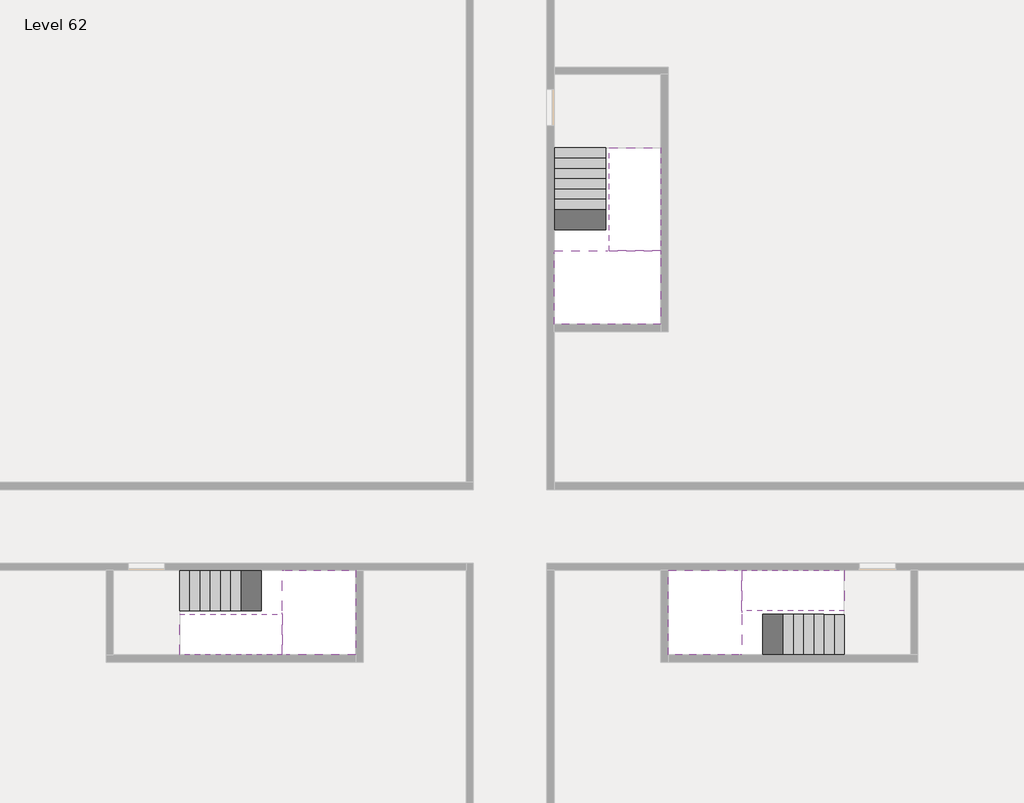
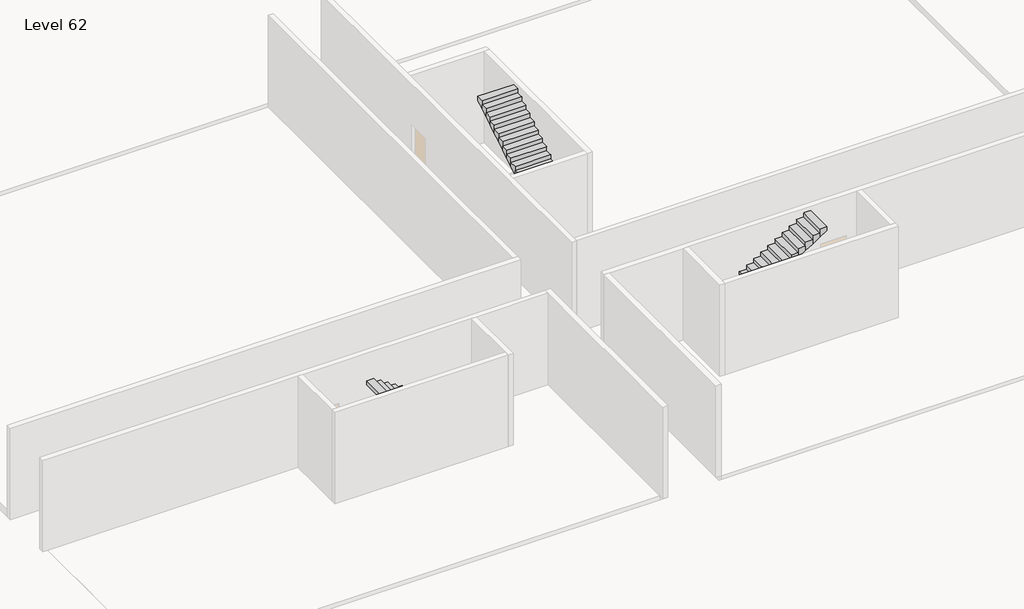
# One storey, part 2 of 2: 6 stair flights, 3 slabs.
"""IFC4 building model written with IfcOpenShell, lengths in millimetres."""

from ifc_helpers import new_model, si_unit, origin, place, context, project, spatial, faceted_brep, element, save

model = new_model("IFC4")

# Units and contexts
model_context = context("Model", 3, world=origin())
ifc_project = project(units=[si_unit("LENGTHUNIT", "METRE", prefix="MILLI")], contexts=[model_context])

# Site, building, storey
site = spatial("IfcSite", under=ifc_project)
building = spatial("IfcBuilding", under=site)
storey = spatial("IfcBuildingStorey", under=building, Name="Level 62", Elevation=231800.0)

# Slabs
placement = place(None, origin())
element("IfcSlab", 1, at=placement, inside=storey, context=model_context, shape_type="Brep", body=[
    faceted_brep([(26790.1058784, -34218.09644, 233700.0), (25390.1058784, -34218.09644, 233700.0), (25390.1058784, -34297.4828763, 233700.0), (25390.1058784, -36218.09644, 233700.0), (28290.1058784, -36218.09644, 233700.0), (28290.1058784, -34418.7100038, 233700.0), (28290.1058784, -34218.09644, 233700.0), (26890.1058784, -34218.09644, 233700.0), (26790.1058784, -34218.09644, 233400.0), (26790.1058784, -34218.09644, 233351.0278478), (25390.1058784, -34218.09644, 233351.0278478), (25390.1058784, -34218.09644, 233527.2727273), (25390.1058784, -34297.4828763, 233400.0), (25390.1058784, -36218.09644, 233400.0), (28290.1058784, -36218.09644, 233400.0), (28290.1058784, -34418.7100038, 233400.0), (28290.1058784, -34218.09644, 233523.7551205), (26890.1058784, -34218.09644, 233523.7551205), (26890.1058784, -34218.09644, 233400.0), (26890.1058784, -34418.7100038, 233400.0), (26790.1058784, -34297.4828763, 233400.0)], [[[0, 1, 2, 3, 4, 5, 6, 7]], [[1, 0, 8, 9, 10, 11]], [[1, 11, 10, 12, 13, 3, 2]], [[4, 3, 13, 14]], [[4, 14, 15, 16, 6, 5]], [[7, 6, 16, 17]], [[0, 7, 17, 18, 8]], [[18, 19, 15, 14, 13, 12, 20, 8]], [[19, 18, 17]], [[20, 12, 10, 9]], [[8, 20, 9]], [[15, 19, 17, 16]]]),
])
element("IfcSlab", 2, at=placement, inside=storey, context=model_context, shape_type="Brep", body=[
    faceted_brep([(30490.1058784, -45218.09644, 233700.0), (30490.1058784, -44118.09644, 233700.0), (30490.1058784, -44018.09644, 233700.0), (30490.1058784, -42918.09644, 233700.0), (30289.4923146, -42918.09644, 233700.0), (28490.1058784, -42918.09644, 233700.0), (28490.1058784, -45218.09644, 233700.0), (30410.7194421, -45218.09644, 233700.0), (30490.1058784, -45218.09644, 233527.2727273), (30490.1058784, -45218.09644, 233351.0278478), (30490.1058784, -44118.09644, 233351.0278478), (30490.1058784, -44118.09644, 233400.0), (30490.1058784, -44018.09644, 233400.0), (30490.1058784, -44018.09644, 233523.7551205), (30490.1058784, -42918.09644, 233523.7551205), (30289.4923146, -42918.09644, 233400.0), (28490.1058784, -42918.09644, 233400.0), (28490.1058784, -45218.09644, 233400.0), (30410.7194421, -45218.09644, 233400.0), (30289.4923146, -44018.09644, 233400.0), (30410.7194421, -44118.09644, 233400.0)], [[[0, 1, 2, 3, 4, 5, 6, 7]], [[1, 0, 8, 9, 10, 11]], [[2, 1, 11, 12, 13]], [[3, 2, 13, 14]], [[3, 14, 15, 16, 5, 4]], [[6, 5, 16, 17]], [[9, 8, 0, 7, 6, 17, 18]], [[19, 12, 11, 20, 18, 17, 16, 15]], [[12, 19, 13]], [[18, 20, 10, 9]], [[20, 11, 10]], [[19, 15, 14, 13]]]),
])
element("IfcSlab", 3, at=placement, inside=storey, context=model_context, shape_type="Brep", body=[
    faceted_brep([(17990.1058784, -42918.09644, 233700.0), (17990.1058784, -44018.09644, 233700.0), (17990.1058784, -44118.09644, 233700.0), (17990.1058784, -45218.09644, 233700.0), (18190.7194421, -45218.09644, 233700.0), (19990.1058784, -45218.09644, 233700.0), (19990.1058784, -42918.09644, 233700.0), (18069.4923146, -42918.09644, 233700.0), (17990.1058784, -42918.09644, 233527.2727273), (17990.1058784, -42918.09644, 233351.0278478), (17990.1058784, -44018.09644, 233351.0278478), (17990.1058784, -44018.09644, 233400.0), (17990.1058784, -44118.09644, 233400.0), (17990.1058784, -44118.09644, 233523.7551205), (17990.1058784, -45218.09644, 233523.7551205), (18190.7194421, -45218.09644, 233400.0), (19990.1058784, -45218.09644, 233400.0), (19990.1058784, -42918.09644, 233400.0), (18069.4923146, -42918.09644, 233400.0), (18190.7194421, -44118.09644, 233400.0), (18069.4923146, -44018.09644, 233400.0)], [[[0, 1, 2, 3, 4, 5, 6, 7]], [[1, 0, 8, 9, 10, 11]], [[2, 1, 11, 12, 13]], [[3, 2, 13, 14]], [[3, 14, 15, 16, 5, 4]], [[6, 5, 16, 17]], [[9, 8, 0, 7, 6, 17, 18]], [[19, 12, 11, 20, 18, 17, 16, 15]], [[12, 19, 13]], [[18, 20, 10, 9]], [[20, 11, 10]], [[19, 15, 14, 13]]]),
])

# Stair flights
element("IfcStairFlight", 4, at=placement, inside=storey, context=model_context, shape_type="Brep", body=[
    faceted_brep([(26790.1058784, -31698.09644, 231972.7272727), (26790.1058784, -31418.09644, 231972.7272727), (25390.1058784, -31418.09644, 231972.7272727), (25390.1058784, -31698.09644, 231972.7272727), (26790.1058784, -31698.09644, 231800.0), (26790.1058784, -31418.09644, 231800.0), (25390.1058784, -31418.09644, 231800.0), (25390.1058784, -31698.09644, 231800.0), (26790.1058784, -31978.09644, 232145.4545455), (26790.1058784, -31698.09644, 232145.4545455), (25390.1058784, -31698.09644, 232145.4545455), (25390.1058784, -31978.09644, 232145.4545455), (26790.1058784, -31978.09644, 231969.209666), (26790.1058784, -31703.7986657, 231800.0), (25390.1058784, -31703.7986657, 231800.0), (25390.1058784, -31978.09644, 231969.209666), (26790.1058784, -32258.09644, 232318.1818182), (26790.1058784, -31978.09644, 232318.1818182), (25390.1058784, -31978.09644, 232318.1818182), (25390.1058784, -32258.09644, 232318.1818182), (26790.1058784, -32258.09644, 232141.9369387), (25390.1058784, -32258.09644, 232141.9369387), (26790.1058784, -32538.09644, 232490.9090909), (26790.1058784, -32258.09644, 232490.9090909), (25390.1058784, -32258.09644, 232490.9090909), (25390.1058784, -32538.09644, 232490.9090909), (26790.1058784, -32538.09644, 232314.6642114), (25390.1058784, -32538.09644, 232314.6642114), (26790.1058784, -32818.09644, 232663.6363636), (26790.1058784, -32538.09644, 232663.6363636), (25390.1058784, -32538.09644, 232663.6363636), (25390.1058784, -32818.09644, 232663.6363636), (26790.1058784, -32818.09644, 232487.3914841), (25390.1058784, -32818.09644, 232487.3914841), (26790.1058784, -33098.09644, 232836.3636364), (26790.1058784, -32818.09644, 232836.3636364), (25390.1058784, -32818.09644, 232836.3636364), (25390.1058784, -33098.09644, 232836.3636364), (26790.1058784, -33098.09644, 232660.1187569), (25390.1058784, -33098.09644, 232660.1187569), (26790.1058784, -33378.09644, 233009.0909091), (26790.1058784, -33098.09644, 233009.0909091), (25390.1058784, -33098.09644, 233009.0909091), (25390.1058784, -33378.09644, 233009.0909091), (26790.1058784, -33378.09644, 232832.8460296), (25390.1058784, -33378.09644, 232832.8460296), (26790.1058784, -33658.09644, 233181.8181818), (26790.1058784, -33378.09644, 233181.8181818), (25390.1058784, -33378.09644, 233181.8181818), (25390.1058784, -33658.09644, 233181.8181818), (26790.1058784, -33658.09644, 233005.5733023), (25390.1058784, -33658.09644, 233005.5733023), (26790.1058784, -33938.09644, 233354.5454545), (26790.1058784, -33658.09644, 233354.5454545), (25390.1058784, -33658.09644, 233354.5454545), (25390.1058784, -33938.09644, 233354.5454545), (26790.1058784, -33938.09644, 233178.3005751), (25390.1058784, -33938.09644, 233178.3005751), (26790.1058784, -34218.09644, 233527.2727273), (26790.1058784, -33938.09644, 233527.2727273), (25390.1058784, -33938.09644, 233527.2727273), (25390.1058784, -34218.09644, 233527.2727273), (26790.1058784, -34218.09644, 233400.0), (26790.1058784, -34218.09644, 233351.0278478), (25390.1058784, -34218.09644, 233351.0278478)], [[[0, 1, 2, 3]], [[1, 0, 4, 5]], [[2, 1, 5, 6]], [[3, 2, 6, 7]], [[8, 9, 10, 11]], [[4, 0, 9, 8, 12, 13]], [[0, 3, 10, 9]], [[3, 7, 14, 15, 11, 10]], [[16, 17, 18, 19]], [[17, 16, 20, 12, 8]], [[8, 11, 18, 17]], [[19, 18, 11, 15, 21]], [[22, 23, 24, 25]], [[23, 22, 26, 20, 16]], [[16, 19, 24, 23]], [[25, 24, 19, 21, 27]], [[28, 29, 30, 31]], [[29, 28, 32, 26, 22]], [[22, 25, 30, 29]], [[31, 30, 25, 27, 33]], [[34, 35, 36, 37]], [[35, 34, 38, 32, 28]], [[28, 31, 36, 35]], [[37, 36, 31, 33, 39]], [[40, 41, 42, 43]], [[41, 40, 44, 38, 34]], [[34, 37, 42, 41]], [[43, 42, 37, 39, 45]], [[46, 47, 48, 49]], [[47, 46, 50, 44, 40]], [[40, 43, 48, 47]], [[49, 48, 43, 45, 51]], [[52, 53, 54, 55]], [[53, 52, 56, 50, 46]], [[46, 49, 54, 53]], [[55, 54, 49, 51, 57]], [[58, 59, 60, 61]], [[59, 58, 62, 63, 56, 52]], [[52, 55, 60, 59]], [[61, 60, 55, 57, 64]], [[58, 61, 64, 63, 62]], [[5, 4, 13, 14, 7, 6]], [[14, 13, 12, 20, 26, 32, 38, 44, 50, 56, 63, 64, 57, 51, 45, 39, 33, 27, 21, 15]]]),
])
element("IfcStairFlight", 5, at=placement, inside=storey, context=model_context, shape_type="Brep", body=[
    faceted_brep([(26890.1058784, -33938.09644, 233872.7272727), (26890.1058784, -34218.09644, 233872.7272727), (28290.1058784, -34218.09644, 233872.7272727), (28290.1058784, -33938.09644, 233872.7272727), (26890.1058784, -33938.09644, 233696.4823932), (26890.1058784, -34218.09644, 233523.7551205), (28290.1058784, -34218.09644, 233523.7551205), (28290.1058784, -34218.09644, 233700.0), (28290.1058784, -33938.09644, 233696.4823932), (26890.1058784, -33658.09644, 234045.4545455), (26890.1058784, -33938.09644, 234045.4545455), (28290.1058784, -33938.09644, 234045.4545455), (28290.1058784, -33658.09644, 234045.4545455), (26890.1058784, -33658.09644, 233869.209666), (28290.1058784, -33658.09644, 233869.209666), (26890.1058784, -33378.09644, 234218.1818182), (26890.1058784, -33658.09644, 234218.1818182), (28290.1058784, -33658.09644, 234218.1818182), (28290.1058784, -33378.09644, 234218.1818182), (26890.1058784, -33378.09644, 234041.9369387), (28290.1058784, -33378.09644, 234041.9369387), (26890.1058784, -33098.09644, 234390.9090909), (26890.1058784, -33378.09644, 234390.9090909), (28290.1058784, -33378.09644, 234390.9090909), (28290.1058784, -33098.09644, 234390.9090909), (26890.1058784, -33098.09644, 234214.6642114), (28290.1058784, -33098.09644, 234214.6642114), (26890.1058784, -32818.09644, 234563.6363636), (26890.1058784, -33098.09644, 234563.6363636), (28290.1058784, -33098.09644, 234563.6363636), (28290.1058784, -32818.09644, 234563.6363636), (26890.1058784, -32818.09644, 234387.3914841), (28290.1058784, -32818.09644, 234387.3914841), (26890.1058784, -32538.09644, 234736.3636364), (26890.1058784, -32818.09644, 234736.3636364), (28290.1058784, -32818.09644, 234736.3636364), (28290.1058784, -32538.09644, 234736.3636364), (26890.1058784, -32538.09644, 234560.1187569), (28290.1058784, -32538.09644, 234560.1187569), (26890.1058784, -32258.09644, 234909.0909091), (26890.1058784, -32538.09644, 234909.0909091), (28290.1058784, -32538.09644, 234909.0909091), (28290.1058784, -32258.09644, 234909.0909091), (26890.1058784, -32258.09644, 234732.8460296), (28290.1058784, -32258.09644, 234732.8460296), (26890.1058784, -31978.09644, 235081.8181818), (26890.1058784, -32258.09644, 235081.8181818), (28290.1058784, -32258.09644, 235081.8181818), (28290.1058784, -31978.09644, 235081.8181818), (26890.1058784, -31978.09644, 234905.5733023), (28290.1058784, -31978.09644, 234905.5733023), (26890.1058784, -31698.09644, 235254.5454545), (26890.1058784, -31978.09644, 235254.5454545), (28290.1058784, -31978.09644, 235254.5454545), (28290.1058784, -31698.09644, 235254.5454545), (26890.1058784, -31698.09644, 235078.3005751), (28290.1058784, -31698.09644, 235078.3005751), (26890.1058784, -31418.09644, 235427.2727273), (26890.1058784, -31698.09644, 235427.2727273), (28290.1058784, -31698.09644, 235427.2727273), (28290.1058784, -31418.09644, 235427.2727273), (26890.1058784, -31418.09644, 235251.0278478), (28290.1058784, -31418.09644, 235251.0278478)], [[[0, 1, 2, 3]], [[1, 0, 4, 5]], [[2, 1, 5, 6, 7]], [[3, 2, 7, 6, 8]], [[9, 10, 11, 12]], [[10, 9, 13, 4, 0]], [[11, 10, 0, 3]], [[12, 11, 3, 8, 14]], [[15, 16, 17, 18]], [[16, 15, 19, 13, 9]], [[17, 16, 9, 12]], [[18, 17, 12, 14, 20]], [[21, 22, 23, 24]], [[22, 21, 25, 19, 15]], [[23, 22, 15, 18]], [[24, 23, 18, 20, 26]], [[27, 28, 29, 30]], [[28, 27, 31, 25, 21]], [[29, 28, 21, 24]], [[30, 29, 24, 26, 32]], [[33, 34, 35, 36]], [[34, 33, 37, 31, 27]], [[35, 34, 27, 30]], [[36, 35, 30, 32, 38]], [[39, 40, 41, 42]], [[40, 39, 43, 37, 33]], [[41, 40, 33, 36]], [[42, 41, 36, 38, 44]], [[45, 46, 47, 48]], [[46, 45, 49, 43, 39]], [[47, 46, 39, 42]], [[48, 47, 42, 44, 50]], [[51, 52, 53, 54]], [[52, 51, 55, 49, 45]], [[53, 52, 45, 48]], [[54, 53, 48, 50, 56]], [[57, 58, 59, 60]], [[58, 57, 61, 55, 51]], [[59, 58, 51, 54]], [[60, 59, 54, 56, 62]], [[57, 60, 62, 61]], [[5, 4, 13, 19, 25, 31, 37, 43, 49, 55, 61, 62, 56, 50, 44, 38, 32, 26, 20, 14, 8, 6]]]),
])
element("IfcStairFlight", 6, at=placement, inside=storey, context=model_context, shape_type="Brep", body=[
    faceted_brep([(33010.1058784, -45218.09644, 231972.7272727), (33290.1058784, -45218.09644, 231972.7272727), (33290.1058784, -44118.09644, 231972.7272727), (33010.1058784, -44118.09644, 231972.7272727), (33010.1058784, -45218.09644, 231800.0), (33290.1058784, -45218.09644, 231800.0), (33290.1058784, -44118.09644, 231800.0), (33010.1058784, -44118.09644, 231800.0), (32730.1058784, -45218.09644, 232145.4545455), (33010.1058784, -45218.09644, 232145.4545455), (33010.1058784, -44118.09644, 232145.4545455), (32730.1058784, -44118.09644, 232145.4545455), (32730.1058784, -45218.09644, 231969.209666), (33004.4036527, -45218.09644, 231800.0), (33004.4036527, -44118.09644, 231800.0), (32730.1058784, -44118.09644, 231969.209666), (32450.1058784, -45218.09644, 232318.1818182), (32730.1058784, -45218.09644, 232318.1818182), (32730.1058784, -44118.09644, 232318.1818182), (32450.1058784, -44118.09644, 232318.1818182), (32450.1058784, -45218.09644, 232141.9369387), (32450.1058784, -44118.09644, 232141.9369387), (32170.1058784, -45218.09644, 232490.9090909), (32450.1058784, -45218.09644, 232490.9090909), (32450.1058784, -44118.09644, 232490.9090909), (32170.1058784, -44118.09644, 232490.9090909), (32170.1058784, -45218.09644, 232314.6642114), (32170.1058784, -44118.09644, 232314.6642114), (31890.1058784, -45218.09644, 232663.6363636), (32170.1058784, -45218.09644, 232663.6363636), (32170.1058784, -44118.09644, 232663.6363636), (31890.1058784, -44118.09644, 232663.6363636), (31890.1058784, -45218.09644, 232487.3914841), (31890.1058784, -44118.09644, 232487.3914841), (31610.1058784, -45218.09644, 232836.3636364), (31890.1058784, -45218.09644, 232836.3636364), (31890.1058784, -44118.09644, 232836.3636364), (31610.1058784, -44118.09644, 232836.3636364), (31610.1058784, -45218.09644, 232660.1187569), (31610.1058784, -44118.09644, 232660.1187569), (31330.1058784, -45218.09644, 233009.0909091), (31610.1058784, -45218.09644, 233009.0909091), (31610.1058784, -44118.09644, 233009.0909091), (31330.1058784, -44118.09644, 233009.0909091), (31330.1058784, -45218.09644, 232832.8460296), (31330.1058784, -44118.09644, 232832.8460296), (31050.1058784, -45218.09644, 233181.8181818), (31330.1058784, -45218.09644, 233181.8181818), (31330.1058784, -44118.09644, 233181.8181818), (31050.1058784, -44118.09644, 233181.8181818), (31050.1058784, -45218.09644, 233005.5733023), (31050.1058784, -44118.09644, 233005.5733023), (30770.1058784, -45218.09644, 233354.5454545), (31050.1058784, -45218.09644, 233354.5454545), (31050.1058784, -44118.09644, 233354.5454545), (30770.1058784, -44118.09644, 233354.5454545), (30770.1058784, -45218.09644, 233178.3005751), (30770.1058784, -44118.09644, 233178.3005751), (30490.1058784, -45218.09644, 233527.2727273), (30770.1058784, -45218.09644, 233527.2727273), (30770.1058784, -44118.09644, 233527.2727273), (30490.1058784, -44118.09644, 233527.2727273), (30490.1058784, -45218.09644, 233351.0278478), (30490.1058784, -44118.09644, 233351.0278478), (30490.1058784, -44118.09644, 233400.0)], [[[0, 1, 2, 3]], [[1, 0, 4, 5]], [[2, 1, 5, 6]], [[3, 2, 6, 7]], [[8, 9, 10, 11]], [[4, 0, 9, 8, 12, 13]], [[0, 3, 10, 9]], [[3, 7, 14, 15, 11, 10]], [[16, 17, 18, 19]], [[17, 16, 20, 12, 8]], [[8, 11, 18, 17]], [[19, 18, 11, 15, 21]], [[22, 23, 24, 25]], [[23, 22, 26, 20, 16]], [[16, 19, 24, 23]], [[25, 24, 19, 21, 27]], [[28, 29, 30, 31]], [[29, 28, 32, 26, 22]], [[22, 25, 30, 29]], [[31, 30, 25, 27, 33]], [[34, 35, 36, 37]], [[35, 34, 38, 32, 28]], [[28, 31, 36, 35]], [[37, 36, 31, 33, 39]], [[40, 41, 42, 43]], [[41, 40, 44, 38, 34]], [[34, 37, 42, 41]], [[43, 42, 37, 39, 45]], [[46, 47, 48, 49]], [[47, 46, 50, 44, 40]], [[40, 43, 48, 47]], [[49, 48, 43, 45, 51]], [[52, 53, 54, 55]], [[53, 52, 56, 50, 46]], [[46, 49, 54, 53]], [[55, 54, 49, 51, 57]], [[58, 59, 60, 61]], [[59, 58, 62, 56, 52]], [[52, 55, 60, 59]], [[61, 60, 55, 57, 63, 64]], [[58, 61, 64, 63, 62]], [[5, 4, 13, 14, 7, 6]], [[14, 13, 12, 20, 26, 32, 38, 44, 50, 56, 62, 63, 57, 51, 45, 39, 33, 27, 21, 15]]]),
])
element("IfcStairFlight", 7, at=placement, inside=storey, context=model_context, shape_type="Brep", body=[
    faceted_brep([(30770.1058784, -42918.09644, 233872.7272727), (30490.1058784, -42918.09644, 233872.7272727), (30490.1058784, -44018.09644, 233872.7272727), (30770.1058784, -44018.09644, 233872.7272727), (30770.1058784, -42918.09644, 233696.4823932), (30490.1058784, -42918.09644, 233523.7551205), (30490.1058784, -42918.09644, 233700.0), (30490.1058784, -44018.09644, 233523.7551205), (30770.1058784, -44018.09644, 233696.4823932), (31050.1058784, -42918.09644, 234045.4545455), (30770.1058784, -42918.09644, 234045.4545455), (30770.1058784, -44018.09644, 234045.4545455), (31050.1058784, -44018.09644, 234045.4545455), (31050.1058784, -42918.09644, 233869.209666), (31050.1058784, -44018.09644, 233869.209666), (31330.1058784, -42918.09644, 234218.1818182), (31050.1058784, -42918.09644, 234218.1818182), (31050.1058784, -44018.09644, 234218.1818182), (31330.1058784, -44018.09644, 234218.1818182), (31330.1058784, -42918.09644, 234041.9369387), (31330.1058784, -44018.09644, 234041.9369387), (31610.1058784, -42918.09644, 234390.9090909), (31330.1058784, -42918.09644, 234390.9090909), (31330.1058784, -44018.09644, 234390.9090909), (31610.1058784, -44018.09644, 234390.9090909), (31610.1058784, -42918.09644, 234214.6642114), (31610.1058784, -44018.09644, 234214.6642114), (31890.1058784, -42918.09644, 234563.6363636), (31610.1058784, -42918.09644, 234563.6363636), (31610.1058784, -44018.09644, 234563.6363636), (31890.1058784, -44018.09644, 234563.6363636), (31890.1058784, -42918.09644, 234387.3914841), (31890.1058784, -44018.09644, 234387.3914841), (32170.1058784, -42918.09644, 234736.3636364), (31890.1058784, -42918.09644, 234736.3636364), (31890.1058784, -44018.09644, 234736.3636364), (32170.1058784, -44018.09644, 234736.3636364), (32170.1058784, -42918.09644, 234560.1187569), (32170.1058784, -44018.09644, 234560.1187569), (32450.1058784, -42918.09644, 234909.0909091), (32170.1058784, -42918.09644, 234909.0909091), (32170.1058784, -44018.09644, 234909.0909091), (32450.1058784, -44018.09644, 234909.0909091), (32450.1058784, -42918.09644, 234732.8460296), (32450.1058784, -44018.09644, 234732.8460296), (32730.1058784, -42918.09644, 235081.8181818), (32450.1058784, -42918.09644, 235081.8181818), (32450.1058784, -44018.09644, 235081.8181818), (32730.1058784, -44018.09644, 235081.8181818), (32730.1058784, -42918.09644, 234905.5733023), (32730.1058784, -44018.09644, 234905.5733023), (33010.1058784, -42918.09644, 235254.5454545), (32730.1058784, -42918.09644, 235254.5454545), (32730.1058784, -44018.09644, 235254.5454545), (33010.1058784, -44018.09644, 235254.5454545), (33010.1058784, -42918.09644, 235078.3005751), (33010.1058784, -44018.09644, 235078.3005751), (33290.1058784, -42918.09644, 235427.2727273), (33010.1058784, -42918.09644, 235427.2727273), (33010.1058784, -44018.09644, 235427.2727273), (33290.1058784, -44018.09644, 235427.2727273), (33290.1058784, -42918.09644, 235251.0278478), (33290.1058784, -44018.09644, 235251.0278478)], [[[0, 1, 2, 3]], [[1, 0, 4, 5, 6]], [[2, 1, 6, 5, 7]], [[3, 2, 7, 8]], [[9, 10, 11, 12]], [[10, 9, 13, 4, 0]], [[11, 10, 0, 3]], [[12, 11, 3, 8, 14]], [[15, 16, 17, 18]], [[16, 15, 19, 13, 9]], [[17, 16, 9, 12]], [[18, 17, 12, 14, 20]], [[21, 22, 23, 24]], [[22, 21, 25, 19, 15]], [[23, 22, 15, 18]], [[24, 23, 18, 20, 26]], [[27, 28, 29, 30]], [[28, 27, 31, 25, 21]], [[29, 28, 21, 24]], [[30, 29, 24, 26, 32]], [[33, 34, 35, 36]], [[34, 33, 37, 31, 27]], [[35, 34, 27, 30]], [[36, 35, 30, 32, 38]], [[39, 40, 41, 42]], [[40, 39, 43, 37, 33]], [[41, 40, 33, 36]], [[42, 41, 36, 38, 44]], [[45, 46, 47, 48]], [[46, 45, 49, 43, 39]], [[47, 46, 39, 42]], [[48, 47, 42, 44, 50]], [[51, 52, 53, 54]], [[52, 51, 55, 49, 45]], [[53, 52, 45, 48]], [[54, 53, 48, 50, 56]], [[57, 58, 59, 60]], [[58, 57, 61, 55, 51]], [[59, 58, 51, 54]], [[60, 59, 54, 56, 62]], [[57, 60, 62, 61]], [[5, 4, 13, 19, 25, 31, 37, 43, 49, 55, 61, 62, 56, 50, 44, 38, 32, 26, 20, 14, 8, 7]]]),
])
element("IfcStairFlight", 8, at=placement, inside=storey, context=model_context, shape_type="Brep", body=[
    faceted_brep([(15470.1058784, -42918.09644, 231972.7272727), (15190.1058784, -42918.09644, 231972.7272727), (15190.1058784, -44018.09644, 231972.7272727), (15470.1058784, -44018.09644, 231972.7272727), (15470.1058784, -42918.09644, 231800.0), (15190.1058784, -42918.09644, 231800.0), (15190.1058784, -44018.09644, 231800.0), (15470.1058784, -44018.09644, 231800.0), (15750.1058784, -42918.09644, 232145.4545455), (15470.1058784, -42918.09644, 232145.4545455), (15470.1058784, -44018.09644, 232145.4545455), (15750.1058784, -44018.09644, 232145.4545455), (15750.1058784, -42918.09644, 231969.209666), (15475.8081041, -42918.09644, 231800.0), (15475.8081041, -44018.09644, 231800.0), (15750.1058784, -44018.09644, 231969.209666), (16030.1058784, -42918.09644, 232318.1818182), (15750.1058784, -42918.09644, 232318.1818182), (15750.1058784, -44018.09644, 232318.1818182), (16030.1058784, -44018.09644, 232318.1818182), (16030.1058784, -42918.09644, 232141.9369387), (16030.1058784, -44018.09644, 232141.9369387), (16310.1058784, -42918.09644, 232490.9090909), (16030.1058784, -42918.09644, 232490.9090909), (16030.1058784, -44018.09644, 232490.9090909), (16310.1058784, -44018.09644, 232490.9090909), (16310.1058784, -42918.09644, 232314.6642114), (16310.1058784, -44018.09644, 232314.6642114), (16590.1058784, -42918.09644, 232663.6363636), (16310.1058784, -42918.09644, 232663.6363636), (16310.1058784, -44018.09644, 232663.6363636), (16590.1058784, -44018.09644, 232663.6363636), (16590.1058784, -42918.09644, 232487.3914841), (16590.1058784, -44018.09644, 232487.3914841), (16870.1058784, -42918.09644, 232836.3636364), (16590.1058784, -42918.09644, 232836.3636364), (16590.1058784, -44018.09644, 232836.3636364), (16870.1058784, -44018.09644, 232836.3636364), (16870.1058784, -42918.09644, 232660.1187569), (16870.1058784, -44018.09644, 232660.1187569), (17150.1058784, -42918.09644, 233009.0909091), (16870.1058784, -42918.09644, 233009.0909091), (16870.1058784, -44018.09644, 233009.0909091), (17150.1058784, -44018.09644, 233009.0909091), (17150.1058784, -42918.09644, 232832.8460296), (17150.1058784, -44018.09644, 232832.8460296), (17430.1058784, -42918.09644, 233181.8181818), (17150.1058784, -42918.09644, 233181.8181818), (17150.1058784, -44018.09644, 233181.8181818), (17430.1058784, -44018.09644, 233181.8181818), (17430.1058784, -42918.09644, 233005.5733023), (17430.1058784, -44018.09644, 233005.5733023), (17710.1058784, -42918.09644, 233354.5454545), (17430.1058784, -42918.09644, 233354.5454545), (17430.1058784, -44018.09644, 233354.5454545), (17710.1058784, -44018.09644, 233354.5454545), (17710.1058784, -42918.09644, 233178.3005751), (17710.1058784, -44018.09644, 233178.3005751), (17990.1058784, -42918.09644, 233527.2727273), (17710.1058784, -42918.09644, 233527.2727273), (17710.1058784, -44018.09644, 233527.2727273), (17990.1058784, -44018.09644, 233527.2727273), (17990.1058784, -42918.09644, 233351.0278478), (17990.1058784, -44018.09644, 233351.0278478), (17990.1058784, -44018.09644, 233400.0)], [[[0, 1, 2, 3]], [[1, 0, 4, 5]], [[2, 1, 5, 6]], [[3, 2, 6, 7]], [[8, 9, 10, 11]], [[4, 0, 9, 8, 12, 13]], [[0, 3, 10, 9]], [[3, 7, 14, 15, 11, 10]], [[16, 17, 18, 19]], [[17, 16, 20, 12, 8]], [[8, 11, 18, 17]], [[19, 18, 11, 15, 21]], [[22, 23, 24, 25]], [[23, 22, 26, 20, 16]], [[16, 19, 24, 23]], [[25, 24, 19, 21, 27]], [[28, 29, 30, 31]], [[29, 28, 32, 26, 22]], [[22, 25, 30, 29]], [[31, 30, 25, 27, 33]], [[34, 35, 36, 37]], [[35, 34, 38, 32, 28]], [[28, 31, 36, 35]], [[37, 36, 31, 33, 39]], [[40, 41, 42, 43]], [[41, 40, 44, 38, 34]], [[34, 37, 42, 41]], [[43, 42, 37, 39, 45]], [[46, 47, 48, 49]], [[47, 46, 50, 44, 40]], [[40, 43, 48, 47]], [[49, 48, 43, 45, 51]], [[52, 53, 54, 55]], [[53, 52, 56, 50, 46]], [[46, 49, 54, 53]], [[55, 54, 49, 51, 57]], [[58, 59, 60, 61]], [[59, 58, 62, 56, 52]], [[52, 55, 60, 59]], [[61, 60, 55, 57, 63, 64]], [[58, 61, 64, 63, 62]], [[5, 4, 13, 14, 7, 6]], [[14, 13, 12, 20, 26, 32, 38, 44, 50, 56, 62, 63, 57, 51, 45, 39, 33, 27, 21, 15]]]),
])
element("IfcStairFlight", 9, at=placement, inside=storey, context=model_context, shape_type="Brep", body=[
    faceted_brep([(17710.1058784, -45218.09644, 233872.7272727), (17990.1058784, -45218.09644, 233872.7272727), (17990.1058784, -44118.09644, 233872.7272727), (17710.1058784, -44118.09644, 233872.7272727), (17710.1058784, -45218.09644, 233696.4823932), (17990.1058784, -45218.09644, 233523.7551205), (17990.1058784, -45218.09644, 233700.0), (17990.1058784, -44118.09644, 233523.7551205), (17710.1058784, -44118.09644, 233696.4823932), (17430.1058784, -45218.09644, 234045.4545455), (17710.1058784, -45218.09644, 234045.4545455), (17710.1058784, -44118.09644, 234045.4545455), (17430.1058784, -44118.09644, 234045.4545455), (17430.1058784, -45218.09644, 233869.209666), (17430.1058784, -44118.09644, 233869.209666), (17150.1058784, -45218.09644, 234218.1818182), (17430.1058784, -45218.09644, 234218.1818182), (17430.1058784, -44118.09644, 234218.1818182), (17150.1058784, -44118.09644, 234218.1818182), (17150.1058784, -45218.09644, 234041.9369387), (17150.1058784, -44118.09644, 234041.9369387), (16870.1058784, -45218.09644, 234390.9090909), (17150.1058784, -45218.09644, 234390.9090909), (17150.1058784, -44118.09644, 234390.9090909), (16870.1058784, -44118.09644, 234390.9090909), (16870.1058784, -45218.09644, 234214.6642114), (16870.1058784, -44118.09644, 234214.6642114), (16590.1058784, -45218.09644, 234563.6363636), (16870.1058784, -45218.09644, 234563.6363636), (16870.1058784, -44118.09644, 234563.6363636), (16590.1058784, -44118.09644, 234563.6363636), (16590.1058784, -45218.09644, 234387.3914841), (16590.1058784, -44118.09644, 234387.3914841), (16310.1058784, -45218.09644, 234736.3636364), (16590.1058784, -45218.09644, 234736.3636364), (16590.1058784, -44118.09644, 234736.3636364), (16310.1058784, -44118.09644, 234736.3636364), (16310.1058784, -45218.09644, 234560.1187569), (16310.1058784, -44118.09644, 234560.1187569), (16030.1058784, -45218.09644, 234909.0909091), (16310.1058784, -45218.09644, 234909.0909091), (16310.1058784, -44118.09644, 234909.0909091), (16030.1058784, -44118.09644, 234909.0909091), (16030.1058784, -45218.09644, 234732.8460296), (16030.1058784, -44118.09644, 234732.8460296), (15750.1058784, -45218.09644, 235081.8181818), (16030.1058784, -45218.09644, 235081.8181818), (16030.1058784, -44118.09644, 235081.8181818), (15750.1058784, -44118.09644, 235081.8181818), (15750.1058784, -45218.09644, 234905.5733023), (15750.1058784, -44118.09644, 234905.5733023), (15470.1058784, -45218.09644, 235254.5454545), (15750.1058784, -45218.09644, 235254.5454545), (15750.1058784, -44118.09644, 235254.5454545), (15470.1058784, -44118.09644, 235254.5454545), (15470.1058784, -45218.09644, 235078.3005751), (15470.1058784, -44118.09644, 235078.3005751), (15190.1058784, -45218.09644, 235427.2727273), (15470.1058784, -45218.09644, 235427.2727273), (15470.1058784, -44118.09644, 235427.2727273), (15190.1058784, -44118.09644, 235427.2727273), (15190.1058784, -45218.09644, 235251.0278478), (15190.1058784, -44118.09644, 235251.0278478)], [[[0, 1, 2, 3]], [[1, 0, 4, 5, 6]], [[2, 1, 6, 5, 7]], [[3, 2, 7, 8]], [[9, 10, 11, 12]], [[10, 9, 13, 4, 0]], [[11, 10, 0, 3]], [[12, 11, 3, 8, 14]], [[15, 16, 17, 18]], [[16, 15, 19, 13, 9]], [[17, 16, 9, 12]], [[18, 17, 12, 14, 20]], [[21, 22, 23, 24]], [[22, 21, 25, 19, 15]], [[23, 22, 15, 18]], [[24, 23, 18, 20, 26]], [[27, 28, 29, 30]], [[28, 27, 31, 25, 21]], [[29, 28, 21, 24]], [[30, 29, 24, 26, 32]], [[33, 34, 35, 36]], [[34, 33, 37, 31, 27]], [[35, 34, 27, 30]], [[36, 35, 30, 32, 38]], [[39, 40, 41, 42]], [[40, 39, 43, 37, 33]], [[41, 40, 33, 36]], [[42, 41, 36, 38, 44]], [[45, 46, 47, 48]], [[46, 45, 49, 43, 39]], [[47, 46, 39, 42]], [[48, 47, 42, 44, 50]], [[51, 52, 53, 54]], [[52, 51, 55, 49, 45]], [[53, 52, 45, 48]], [[54, 53, 48, 50, 56]], [[57, 58, 59, 60]], [[58, 57, 61, 55, 51]], [[59, 58, 51, 54]], [[60, 59, 54, 56, 62]], [[57, 60, 62, 61]], [[5, 4, 13, 19, 25, 31, 37, 43, 49, 55, 61, 62, 56, 50, 44, 38, 32, 26, 20, 14, 8, 7]]]),
])

save(model, "model.ifc")
